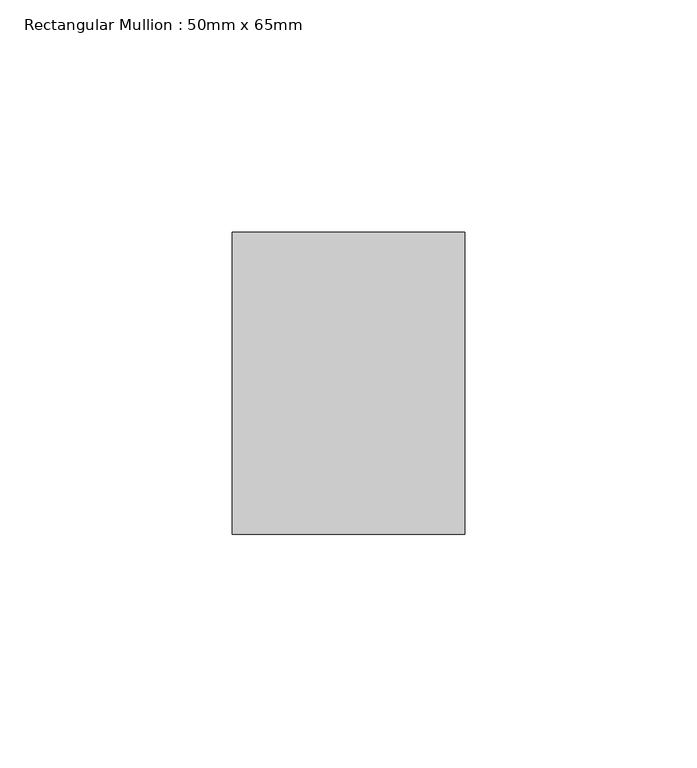
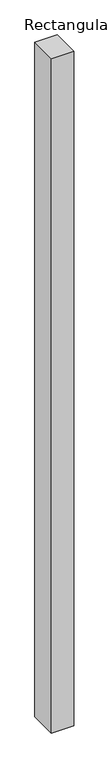
"""IFC4 building model written with IfcOpenShell, lengths in millimetres: member geometry, Rectangular Mullion : 50mm x 65mm."""

from ifc_helpers import new_model, si_unit, frame, origin, place, context, project, spatial, polyline, outline, extrude, source, transform, mapped, element, save


def rectangular_mullion_50mm_x_65mm_6225fca0(model_context):
    return source(origin(), model_context, "Body", "SweptSolid", [
        extrude(outline(polyline([(25.0, 32.5), (25.0, -32.5), (-25.0, -32.5), (-25.0, 32.5), (25.0, 32.5)])), frame((0.0, 0.0, -1612.9642165), z_axis=(0.0, 0.0, 1.0), x_axis=(1.0, 0.0, 0.0)), (0.0, 0.0, 1.0), 1612.9642165),
    ])


if __name__ == "__main__":
    model = new_model("IFC4")
    model_context = context("Model", 3, world=origin())
    ifc_project = project(units=[si_unit("LENGTHUNIT", "METRE", prefix="MILLI")], contexts=[model_context])
    site = spatial("IfcSite", under=ifc_project)
    building = spatial("IfcBuilding", under=site)
    placement = place(None, origin())
    rectangular_mullion_50mm_x_65mm_shape = rectangular_mullion_50mm_x_65mm_6225fca0(model_context)
    element("IfcMember", 1, ObjectType="Rectangular Mullion : 50mm x 65mm", at=placement, inside=building, context=model_context, shape_type="MappedRepresentation", body=[
        mapped(rectangular_mullion_50mm_x_65mm_shape, transform((0.0, 0.0, 0.0), x_axis=(1.0, 0.0, 0.0), y_axis=(0.0, 1.0, 0.0), z_axis=(0.0, 0.0, 1.0))),
    ])
    save(model, "model.ifc")
